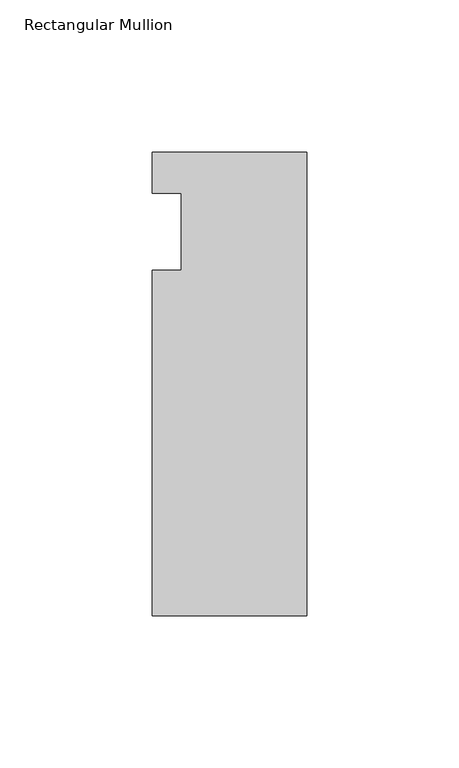
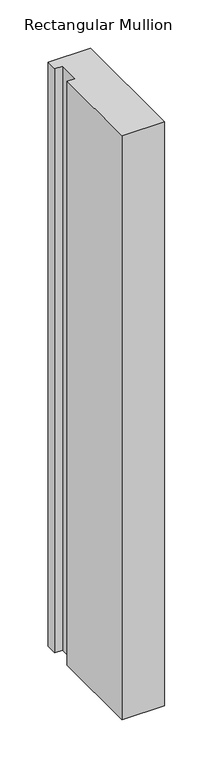
"""IFC4 building model written with IfcOpenShell, lengths in millimetres: member geometry, Rectangular Mullion."""

from ifc_helpers import new_model, si_unit, frame, origin, place, context, project, spatial, polyline, outline, extrude, source, transform, mapped, element, save


def rectangular_mullion_fdb793e9(model_context):
    return source(origin(), model_context, "Body", "SweptSolid", [
        extrude(outline(polyline([(-50.8, 26.19375), (0.0, 26.19375), (0.0, -126.20625), (-50.8, -126.20625), (-50.8, -12.7), (-41.275, -12.7), (-41.275, 12.7), (-50.8, 12.7), (-50.8, 26.19375)])), frame((0.0, 0.0, -736.6), z_axis=(0.0, 0.0, 1.0), x_axis=(1.0, 0.0, 0.0)), (0.0, 0.0, 1.0), 736.6),
    ])


if __name__ == "__main__":
    model = new_model("IFC4")
    model_context = context("Model", 3, world=origin())
    ifc_project = project(units=[si_unit("LENGTHUNIT", "METRE", prefix="MILLI")], contexts=[model_context])
    site = spatial("IfcSite", under=ifc_project)
    building = spatial("IfcBuilding", under=site)
    placement = place(None, origin())
    rectangular_mullion_shape = rectangular_mullion_fdb793e9(model_context)
    element("IfcMember", 1, ObjectType="Rectangular Mullion", at=placement, inside=building, context=model_context, shape_type="MappedRepresentation", body=[
        mapped(rectangular_mullion_shape, transform((0.0, 0.0, 0.0), x_axis=(1.0, 0.0, 0.0), y_axis=(0.0, 1.0, 0.0), z_axis=(0.0, 0.0, 1.0))),
    ])
    save(model, "model.ifc")
